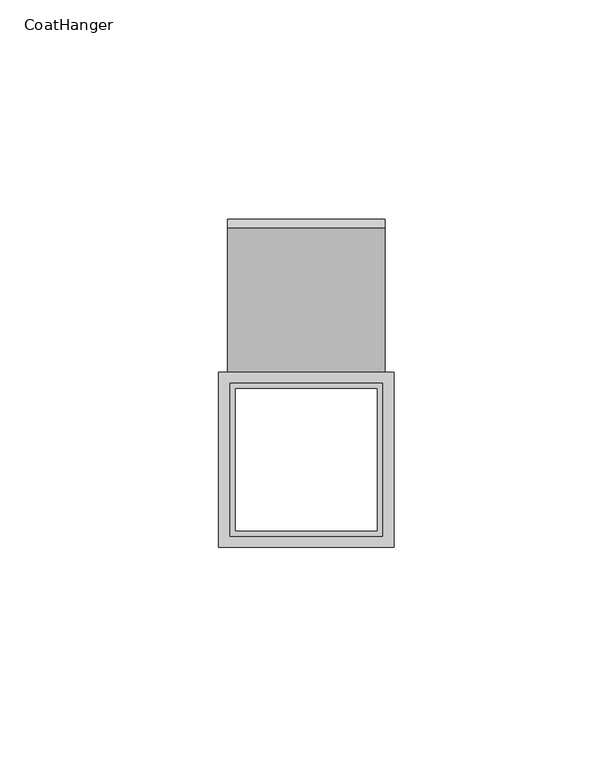
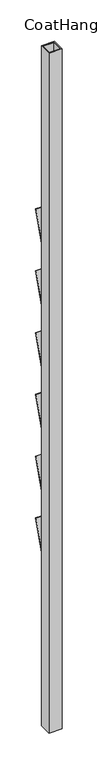
"""IFC4 building model written with IfcOpenShell, lengths in millimetres: furniture geometry, CoatHanger."""

from ifc_helpers import new_model, si_unit, frame, origin, origin_with_axes, place, context, project, spatial, polyline, outline, extrude, faceted_brep, source, transform, mapped, element, save


def coathanger_9316edc6(model_context):
    return source(origin(), model_context, "Body", "SolidModel", [
        faceted_brep([(20.0, 40.0, 2200.0), (-20.0, 40.0, 2200.0), (-20.0, 0.0, 2200.0), (20.0, 0.0, 2200.0), (-17.46, 2.54, 2200.0), (-17.46, 37.46, 2200.0), (17.46, 37.46, 2200.0), (17.46, 2.54, 2200.0), (20.0, 40.0, 0.0), (20.0, 0.0, 0.0), (-20.0, 0.0, 0.0), (-20.0, 40.0, 0.0), (-17.46, 2.54, 0.0), (17.46, 2.54, 0.0), (17.46, 37.46, 0.0), (-17.46, 37.46, 0.0), (-16.19, 40.0, 650.6607975), (-16.19, 40.0, 555.4107975), (16.19, 40.0, 555.4107975), (16.19, 40.0, 650.6607975), (-16.19, 40.0, 850.6607975), (-16.19, 40.0, 755.4107975), (16.19, 40.0, 755.4107975), (16.19, 40.0, 850.6607975), (-16.19, 40.0, 1050.6607975), (-16.19, 40.0, 955.4107975), (16.19, 40.0, 955.4107975), (16.19, 40.0, 1050.6607975), (-16.19, 40.0, 1250.6607975), (-16.19, 40.0, 1155.4107975), (16.19, 40.0, 1155.4107975), (16.19, 40.0, 1250.6607975), (-16.19, 40.0, 1450.6607975), (-16.19, 40.0, 1355.4107975), (16.19, 40.0, 1355.4107975), (16.19, 40.0, 1450.6607975), (-16.19, 40.0, 1650.6607975), (-16.19, 40.0, 1555.4107975), (16.19, 40.0, 1555.4107975), (16.19, 40.0, 1650.6607975), (-16.19, 37.46, 555.4107975), (-16.19, 37.46, 650.6607975), (16.19, 37.46, 650.6607975), (16.19, 37.46, 555.4107975), (-16.19, 37.46, 755.4107975), (-16.19, 37.46, 850.6607975), (16.19, 37.46, 850.6607975), (16.19, 37.46, 755.4107975), (-16.19, 37.46, 955.4107975), (-16.19, 37.46, 1050.6607975), (16.19, 37.46, 1050.6607975), (16.19, 37.46, 955.4107975), (-16.19, 37.46, 1155.4107975), (-16.19, 37.46, 1250.6607975), (16.19, 37.46, 1250.6607975), (16.19, 37.46, 1155.4107975), (-16.19, 37.46, 1355.4107975), (-16.19, 37.46, 1450.6607975), (16.19, 37.46, 1450.6607975), (16.19, 37.46, 1355.4107975), (-16.19, 37.46, 1555.4107975), (-16.19, 37.46, 1650.6607975), (16.19, 37.46, 1650.6607975), (16.19, 37.46, 1555.4107975)], [[[0, 1, 2, 3], [4, 5, 6, 7]], [[8, 9, 10, 11], [12, 13, 14, 15]], [[1, 0, 8, 11], [16, 17, 18, 19], [20, 21, 22, 23], [24, 25, 26, 27], [28, 29, 30, 31], [32, 33, 34, 35], [36, 37, 38, 39]], [[2, 1, 11, 10]], [[3, 2, 10, 9]], [[0, 3, 9, 8]], [[5, 4, 12, 15]], [[6, 5, 15, 14], [40, 41, 42, 43], [44, 45, 46, 47], [48, 49, 50, 51], [52, 53, 54, 55], [56, 57, 58, 59], [60, 61, 62, 63]], [[7, 6, 14, 13]], [[4, 7, 13, 12]], [[16, 41, 40, 17]], [[17, 40, 43, 18]], [[18, 43, 42, 19]], [[41, 16, 19, 42]], [[20, 45, 44, 21]], [[21, 44, 47, 22]], [[22, 47, 46, 23]], [[45, 20, 23, 46]], [[24, 49, 48, 25]], [[25, 48, 51, 26]], [[26, 51, 50, 27]], [[49, 24, 27, 50]], [[28, 53, 52, 29]], [[29, 52, 55, 30]], [[30, 55, 54, 31]], [[53, 28, 31, 54]], [[32, 57, 56, 33]], [[33, 56, 59, 34]], [[34, 59, 58, 35]], [[57, 32, 35, 58]], [[36, 61, 60, 37]], [[37, 60, 63, 38]], [[38, 63, 62, 39]], [[61, 36, 39, 62]]]),
        extrude(outline(polyline([(17.46, 37.46), (17.46, 2.54), (-17.46, 2.54), (-17.46, 37.46), (17.46, 37.46)]), holes=[polyline([(-16.19, 3.81), (16.19, 3.81), (16.19, 36.19), (-16.19, 36.19), (-16.19, 3.81)])]), origin_with_axes(), (0.0, 0.0, 1.0), 2200.0),
        extrude(outline(polyline([(75.0, 650.0), (40.0, 550.0164245), (40.0, 556.0697159), (73.1123171, 650.6607975), (75.0, 650.0)])), frame((-18.0, 0.0, 0.0), z_axis=(1.0, 0.0, 0.0), x_axis=(0.0, 1.0, 0.0)), (0.0, 0.0, 1.0), 36.0),
        extrude(outline(polyline([(75.0, 850.0), (40.0, 750.0164245), (40.0, 756.0697159), (73.1123171, 850.6607975), (75.0, 850.0)])), frame((-18.0, 0.0, 0.0), z_axis=(1.0, 0.0, 0.0), x_axis=(0.0, 1.0, 0.0)), (0.0, 0.0, 1.0), 36.0),
        extrude(outline(polyline([(75.0, 1050.0), (40.0, 950.0164245), (40.0, 956.0697159), (73.1123171, 1050.6607975), (75.0, 1050.0)])), frame((-18.0, 0.0, 0.0), z_axis=(1.0, 0.0, 0.0), x_axis=(0.0, 1.0, 0.0)), (0.0, 0.0, 1.0), 36.0),
        extrude(outline(polyline([(75.0, 1250.0), (40.0, 1150.0164245), (40.0, 1156.0697159), (73.1123171, 1250.6607975), (75.0, 1250.0)])), frame((-18.0, 0.0, 0.0), z_axis=(1.0, 0.0, 0.0), x_axis=(0.0, 1.0, 0.0)), (0.0, 0.0, 1.0), 36.0),
        extrude(outline(polyline([(75.0, 1450.0), (40.0, 1350.0164245), (40.0, 1356.0697159), (73.1123171, 1450.6607975), (75.0, 1450.0)])), frame((-18.0, 0.0, 0.0), z_axis=(1.0, 0.0, 0.0), x_axis=(0.0, 1.0, 0.0)), (0.0, 0.0, 1.0), 36.0),
        extrude(outline(polyline([(75.0, 1650.0), (40.0, 1550.0164245), (40.0, 1556.0697159), (73.1123171, 1650.6607975), (75.0, 1650.0)])), frame((-18.0, 0.0, 0.0), z_axis=(1.0, 0.0, 0.0), x_axis=(0.0, 1.0, 0.0)), (0.0, 0.0, 1.0), 36.0),
    ])


if __name__ == "__main__":
    model = new_model("IFC4")
    model_context = context("Model", 3, world=origin())
    ifc_project = project(units=[si_unit("LENGTHUNIT", "METRE", prefix="MILLI")], contexts=[model_context])
    site = spatial("IfcSite", under=ifc_project)
    building = spatial("IfcBuilding", under=site)
    placement = place(None, origin())
    coathanger_shape = coathanger_9316edc6(model_context)
    element("IfcFurniture", 1, ObjectType="CoatHanger", at=placement, inside=building, context=model_context, shape_type="MappedRepresentation", body=[
        mapped(coathanger_shape, transform((0.0, 0.0, 0.0), x_axis=(1.0, 0.0, 0.0), y_axis=(0.0, 1.0, 0.0), z_axis=(0.0, 0.0, 1.0))),
    ])
    save(model, "model.ifc")
